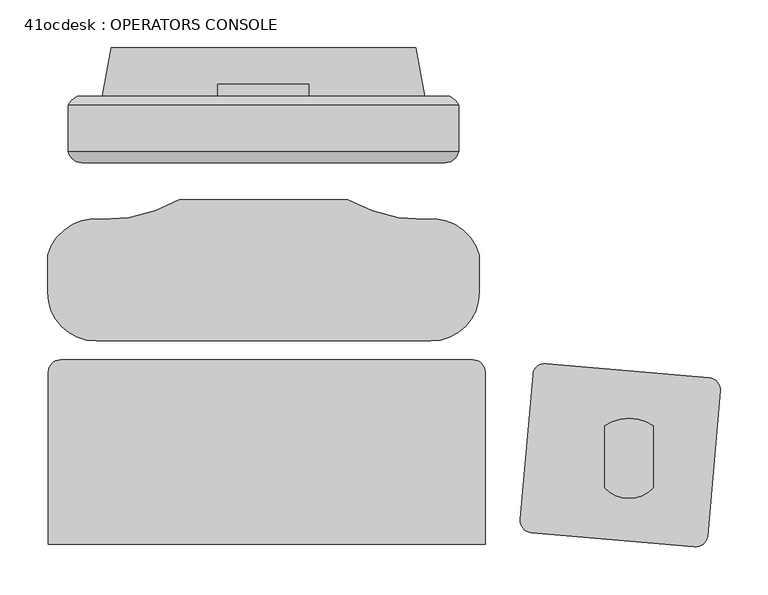
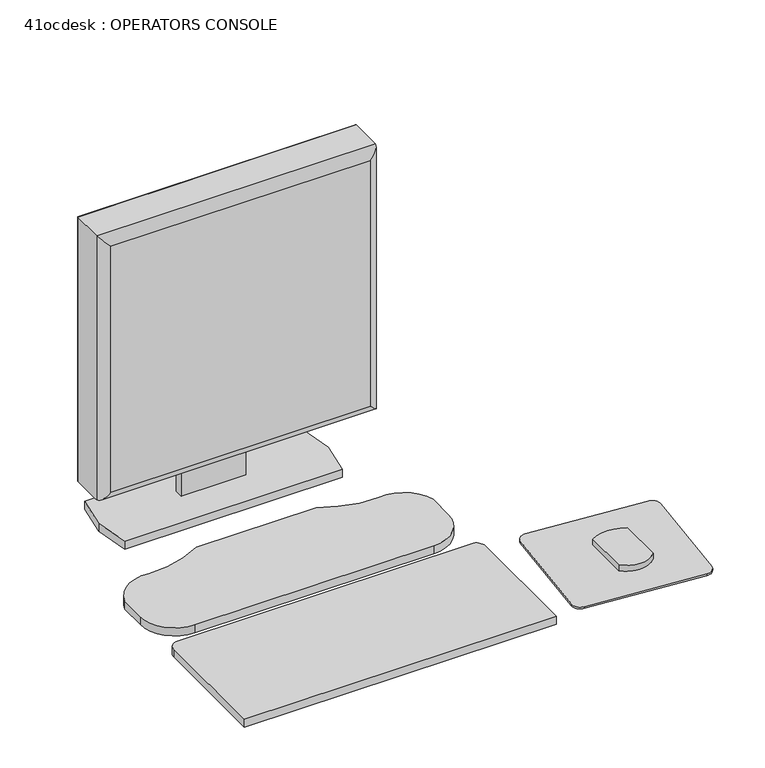
"""IFC4 building model written with IfcOpenShell, lengths in millimetres: proxy geometry, 41ocdesk : OPERATORS CONSOLE."""

from ifc_helpers import new_model, si_unit, point, frame, frame_2d, origin, place, context, project, spatial, polyline, circle_curve, ellipse_curve, trimmed, segment, composite_curve, outline, extrude, source, transform, mapped, element, save
from ifc_brep_helpers import plane_surface, cylinder_surface, advanced_brep


def proxy_41ocdesk_operators_console_17525c75(model_context):
    return source(origin(), model_context, "Body", "SolidModel", [
        advanced_brep(
        [(59.2673539, 215.8255441, 1419.86), (59.2673539, 172.6948635, 1419.86), (59.2673539, 167.6978207, 1419.86), (468.2073539, 167.6978207, 1419.86), (468.2073539, 172.6948635, 1419.86), (468.2073539, 215.8255441, 1419.86), (468.2073539, 215.8255441, 1010.2963264), (468.2073539, 172.6948635, 1010.2963264), (468.2073539, 167.6978207, 1010.2963264), (59.2673539, 167.6978207, 1010.2963264), (59.2673539, 172.6948635, 1010.2963264), (59.2673539, 215.8255441, 1010.2963264), (68.5049899, 225.0631801, 1019.5339624), (68.5049899, 225.0631801, 1410.622364), (458.969718, 225.0631801, 1410.622364), (458.969718, 225.0631801, 1019.5339624), (73.4315146, 155.8135032, 1405.694569), (73.4315146, 155.8135032, 1024.4617574), (454.0419229, 155.8135032, 1024.460487), (454.0431933, 155.8135032, 1405.694569)],
        [
            (0, 1),
            (1, 2),
            (2, 3),
            (3, 4),
            (4, 5),
            (5, 0),
            (6, 7),
            (7, 8),
            (8, 9),
            (9, 10),
            (10, 11),
            (11, 6),
            (12, 13),
            (13, 14),
            (14, 15),
            (15, 12),
            (0, 11),
            (9, 2),
            (16, 17),
            (17, 18),
            (18, 19),
            (19, 16),
            (3, 8),
            (6, 5),
            (12, 11, ellipse_curve(frame((75.3820422, 208.9484918, 1026.4110147), z_axis=(-0.7071067811865452, 0.0, 0.7071067811865498), x_axis=(-0.7071067811865498, 0.0, -0.7071067811865452)), 24.7780962, 17.5207599)),
            (0, 13, ellipse_curve(frame((75.3820422, 208.9484918, 1403.7453117), z_axis=(-0.7071067811865498, 0.0, -0.7071067811865452), x_axis=(0.7071067811865452, 0.0, -0.7071067811865498)), 24.7780962, 17.5207599)),
            (16, 2, ellipse_curve(frame((73.4315146, 170.1963421, 1405.6958394), z_axis=(-0.7071067811865498, 0.0, -0.7071067811865452), x_axis=(0.7071067811865452, 0.0, -0.7071067811865498)), 20.3404059, 14.3828389)),
            (9, 17, ellipse_curve(frame((73.4315146, 170.1963421, 1024.460487), z_axis=(-0.7071067811865452, 0.0, 0.7071067811865498), x_axis=(-0.7071067811865498, 0.0, -0.7071067811865452)), 20.3404059, 14.3828389)),
            (15, 6, ellipse_curve(frame((452.0926657, 208.9484918, 1026.4110147), z_axis=(-0.7071067811865498, 0.0, -0.7071067811865452), x_axis=(0.7071067811865452, 0.0, -0.7071067811865497)), 24.7780962, 17.5207599)),
            (8, 18, ellipse_curve(frame((454.0431933, 170.1963421, 1024.460487), z_axis=(-0.7071067811865498, 0.0, -0.7071067811865452), x_axis=(0.7071067811865452, 0.0, -0.7071067811865497)), 20.3404059, 14.3828389)),
            (14, 5, ellipse_curve(frame((452.0926657, 208.9484918, 1403.7453117), z_axis=(0.7071067811865452, 0.0, -0.7071067811865498), x_axis=(0.7071067811865498, 0.0, 0.7071067811865452)), 24.7780962, 17.5207599)),
            (3, 19, ellipse_curve(frame((454.0431933, 170.1963421, 1405.6958394), z_axis=(0.7071067811865452, 0.0, -0.7071067811865498), x_axis=(0.7071067811865498, 0.0, 0.7071067811865452)), 20.3404059, 14.3828389)),
        ],
        [
            plane_surface(frame((64.3473539, 225.0631801, 1419.86), z_axis=(0.0, 0.0, 1.0), x_axis=(-1.0, 0.0, 0.0))),
            plane_surface(frame((64.3473539, 225.0631801, 1010.2963264), z_axis=(0.0, 0.0, -1.0), x_axis=(1.0, 0.0, 0.0))),
            plane_surface(frame((468.2073539, 225.0631801, 1419.86), z_axis=(0.0, 1.0, 0.0), x_axis=(0.0, 0.0, -1.0))),
            plane_surface(frame((59.2673539, 225.0631801, 1419.86), z_axis=(-1.0, 0.0, 0.0), x_axis=(0.0, 0.0, -1.0))),
            plane_surface(frame((59.2673539, 155.8135032, 1419.86), z_axis=(0.0, -1.0, 0.0), x_axis=(0.0, 0.0, -1.0))),
            plane_surface(frame((468.2073539, 155.8135032, 1419.86), z_axis=(1.0, 0.0, 0.0), x_axis=(0.0, 0.0, -1.0))),
            cylinder_surface(frame((75.3820422, 208.9484918, 1419.86), z_axis=(0.0, 0.0, -1.0), x_axis=(0.0, 1.0, 0.0)), 17.5207599),
            cylinder_surface(frame((73.4315146, 170.1963421, 1419.86), z_axis=(0.0, 0.0, -1.0), x_axis=(0.0, 1.0, 0.0)), 14.3828389),
            cylinder_surface(frame((59.2673539, 208.9484918, 1026.4110147), z_axis=(1.0, 0.0, 0.0), x_axis=(0.0, 1.0, 0.0)), 17.5207599),
            cylinder_surface(frame((59.2673539, 170.1963421, 1024.460487), z_axis=(1.0, 0.0, 0.0), x_axis=(0.0, 1.0, 0.0)), 14.3828389),
            cylinder_surface(frame((452.0926657, 208.9484918, 1010.2963264), z_axis=(0.0, 0.0, 1.0), x_axis=(0.0, 1.0, 0.0)), 17.5207599),
            cylinder_surface(frame((454.0431933, 170.1963421, 1010.2963264), z_axis=(0.0, 0.0, 1.0), x_axis=(0.0, 1.0, 0.0)), 14.3828389),
            cylinder_surface(frame((468.2073539, 208.9484918, 1403.7453117), z_axis=(-1.0, 0.0, 0.0), x_axis=(0.0, 1.0, 0.0)), 17.5207599),
            cylinder_surface(frame((468.2073539, 170.1963421, 1405.6958394), z_axis=(-1.0, 0.0, 0.0), x_axis=(0.0, 1.0, 0.0)), 14.3828389),
        ],
        [
            (0, [[1, 2, 3, 4, 5, 6]]),
            (1, [[7, 8, 9, 10, 11, 12]]),
            (2, [[13, 14, 15, 16]]),
            (3, [[-1, 17, -11, -10, 18, -2]]),
            (4, [[19, 20, 21, 22]]),
            (5, [[-5, -4, 23, -8, -7, 24]]),
            (6, [[25, -17, 26, -13]]),
            (7, [[27, -18, 28, -19]]),
            (8, [[-25, -16, 29, -12]]),
            (9, [[30, -20, -28, -9]]),
            (10, [[-29, -15, 31, -24]]),
            (11, [[32, -21, -30, -23]]),
            (12, [[-26, -6, -31, -14]]),
            (13, [[-27, -22, -32, -3]]),
        ],
    ),
        extrude(outline(polyline([(84.6673539, 161.7272823), (442.8073539, 161.7272823), (442.8073539, 155.8135032), (84.6673539, 155.8135032), (84.6673539, 161.7272823)])), frame((0.0, 0.0, 1035.6963264), z_axis=(0.0, 0.0, 1.0), x_axis=(1.0, 0.0, 0.0)), (0.0, 0.0, 1.0), 358.7636736),
        extrude(outline(polyline([(225.0631801, 1236.2794056), (237.7443513, 1236.2794056), (237.7443513, 926.6153731), (225.0631801, 926.6153731), (225.0631801, 1006.8339624), (227.8004125, 1006.8339624), (227.8004125, 1019.5339624), (225.0631801, 1019.5339624), (225.0631801, 1236.2794056)])), frame((216.1123539, 0.0, 0.0), z_axis=(1.0, 0.0, 0.0), x_axis=(0.0, 1.0, 0.0)), (0.0, 0.0, 1.0), 95.25),
        extrude(outline(composite_curve([segment(trimmed(circle_curve(frame_2d((558.6927577, -67.155936)), 12.7), [point((546.041085, -66.0490581))], [point((559.7996356, -54.5042634))], False, "CARTESIAN"), True, "CONTINUOUS"), segment(polyline([(559.7996356, -54.5042634), (730.5972166, -69.4471155)]), True, "CONTINUOUS"), segment(trimmed(circle_curve(frame_2d((729.4903387, -82.0987881)), 12.7), [point((730.5972166, -69.4471155))], [point((742.1420114, -83.2056661))], False, "CARTESIAN"), True, "CONTINUOUS"), segment(polyline([(742.1420114, -83.2056661), (728.8594762, -235.0257381)]), True, "CONTINUOUS"), segment(trimmed(circle_curve(frame_2d((716.2078035, -233.9188601)), 12.7), [point((728.8594762, -235.0257381))], [point((715.1009256, -246.5705328))], False, "CARTESIAN"), True, "CONTINUOUS"), segment(polyline([(715.1009256, -246.5705328), (544.3033446, -231.6276807)]), True, "CONTINUOUS"), segment(trimmed(circle_curve(frame_2d((545.4102225, -218.976008)), 12.7), [point((544.3033446, -231.6276807))], [point((532.7585499, -217.8691301))], False, "CARTESIAN"), True, "CONTINUOUS"), segment(polyline([(532.7585499, -217.8691301), (546.041085, -66.0490581)]), True, "CONTINUOUS")], self_intersect=False)), frame((0.0, 0.0, 914.4), z_axis=(0.0, 0.0, 1.0), x_axis=(1.0, 0.0, 0.0)), (0.0, 0.0, 1.0), 2.9133962),
        extrude(outline(composite_curve([segment(trimmed(circle_curve(frame_2d((646.6354421, -160.012564)), 35.5491443), [point((672.0354421, -184.8838659))], [point((621.2354421, -184.8838659))], False, "CARTESIAN"), True, "CONTINUOUS"), segment(polyline([(621.2354421, -184.8838659), (621.2354421, -119.5885192)]), True, "CONTINUOUS"), segment(trimmed(circle_curve(frame_2d((646.6354421, -157.7659323)), 45.8549329), [point((621.2354421, -119.5885192))], [point((672.0354421, -119.5885192))], False, "CARTESIAN"), True, "CONTINUOUS"), segment(polyline([(672.0354421, -119.5885192), (672.0354421, -184.8838659)]), True, "CONTINUOUS")], self_intersect=False)), frame((0.0, 0.0, 917.3133962), z_axis=(0.0, 0.0, 1.0), x_axis=(1.0, 0.0, 0.0)), (0.0, 0.0, 1.0), 9.3019768),
        extrude(outline(polyline([(95.0813539, 225.0631801), (104.2253539, 276.1171801), (423.2493539, 276.1171801), (432.3933539, 225.0631801), (423.2493539, 174.0091801), (104.2253539, 174.0091801), (95.0813539, 225.0631801)])), frame((0.0, 0.0, 914.4), z_axis=(0.0, 0.0, 1.0), x_axis=(1.0, 0.0, 0.0)), (0.0, 0.0, 1.0), 12.2153731),
        extrude(outline(composite_curve([segment(trimmed(circle_curve(frame_2d((263.8566758, -735.4242776)), 856.9162929), [point((175.7107787, 116.9464362))], [point((352.0025729, 116.9464362))], False, "CARTESIAN"), True, "CONTINUOUS"), segment(trimmed(circle_curve(frame_2d((428.9131487, 251.5634809)), 155.0386577), [point((352.0025729, 116.9464362))], [point((432.8850572, 96.5757094))], True, "CARTESIAN"), True, "CONTINUOUS"), segment(trimmed(circle_curve(frame_2d((439.9199655, 45.2869289)), 51.7689959), [point((432.8850572, 96.5757094))], [point((489.9166758, 58.7166679))], False, "CARTESIAN"), True, "CONTINUOUS"), segment(polyline([(489.9166758, 58.7166679), (489.9166758, 19.8920153)]), True, "CONTINUOUS"), segment(trimmed(circle_curve(frame_2d((439.1166758, 19.8920153)), 50.8), [point((489.9166758, 19.8920153))], [point((439.1166758, -30.9079847))], False, "CARTESIAN"), True, "CONTINUOUS"), segment(polyline([(439.1166758, -30.9079847), (88.5966758, -30.9079847)]), True, "CONTINUOUS"), segment(trimmed(circle_curve(frame_2d((88.5966758, 19.8920153)), 50.8), [point((88.5966758, -30.9079847))], [point((37.7966758, 19.8920153))], False, "CARTESIAN"), True, "CONTINUOUS"), segment(polyline([(37.7966758, 19.8920153), (37.7966758, 58.7166679)]), True, "CONTINUOUS"), segment(trimmed(circle_curve(frame_2d((87.7933861, 45.2869289)), 51.7689959), [point((37.7966758, 58.7166679))], [point((94.8282944, 96.5757094))], False, "CARTESIAN"), True, "CONTINUOUS"), segment(trimmed(circle_curve(frame_2d((98.8002029, 251.5634809)), 155.0386577), [point((94.8282944, 96.5757094))], [point((175.7107787, 116.9464362))], True, "CARTESIAN"), True, "CONTINUOUS")], self_intersect=False)), frame((0.0, 0.0, 914.4), z_axis=(0.0, 0.0, 1.0), x_axis=(1.0, 0.0, 0.0)), (0.0, 0.0, 1.0), 12.2153731),
        extrude(outline(composite_curve([segment(trimmed(circle_curve(frame_2d((483.0695915, -63.473341)), 12.7), [point((483.0695915, -50.773341))], [point((495.7695915, -63.473341))], False, "CARTESIAN"), True, "CONTINUOUS"), segment(polyline([(495.7695915, -63.473341), (495.7695915, -243.5442161)]), True, "CONTINUOUS"), segment(trimmed(circle_curve(frame_2d((267.1695915, 2056.710101)), 2311.5855777), [point((495.7695915, -243.5442161))], [point((38.5695915, -243.5442161))], False, "CARTESIAN"), True, "CONTINUOUS"), segment(polyline([(38.5695915, -243.5442161), (38.5695915, -63.473341)]), True, "CONTINUOUS"), segment(trimmed(circle_curve(frame_2d((51.2695915, -63.473341)), 12.7), [point((38.5695915, -63.473341))], [point((51.2695915, -50.773341))], False, "CARTESIAN"), True, "CONTINUOUS"), segment(polyline([(51.2695915, -50.773341), (483.0695915, -50.773341)]), True, "CONTINUOUS")], self_intersect=False)), frame((0.0, 0.0, 914.4), z_axis=(0.0, 0.0, 1.0), x_axis=(1.0, 0.0, 0.0)), (0.0, 0.0, 1.0), 12.2153731),
    ])


if __name__ == "__main__":
    model = new_model("IFC4")
    model_context = context("Model", 3, world=origin())
    ifc_project = project(units=[si_unit("LENGTHUNIT", "METRE", prefix="MILLI")], contexts=[model_context])
    site = spatial("IfcSite", under=ifc_project)
    building = spatial("IfcBuilding", under=site)
    placement = place(None, origin())
    proxy_41ocdesk_operators_console_shape = proxy_41ocdesk_operators_console_17525c75(model_context)
    element("IfcBuildingElementProxy", 1, Name="41ocdesk : OPERATORS CONSOLE", ObjectType="41ocdesk : OPERATORS CONSOLE", at=placement, inside=building, context=model_context, shape_type="MappedRepresentation", body=[
        mapped(proxy_41ocdesk_operators_console_shape, transform((0.0, 0.0, 0.0), x_axis=(1.0, 0.0, 0.0), y_axis=(0.0, 1.0, 0.0), z_axis=(0.0, 0.0, 1.0))),
    ])
    save(model, "model.ifc")
